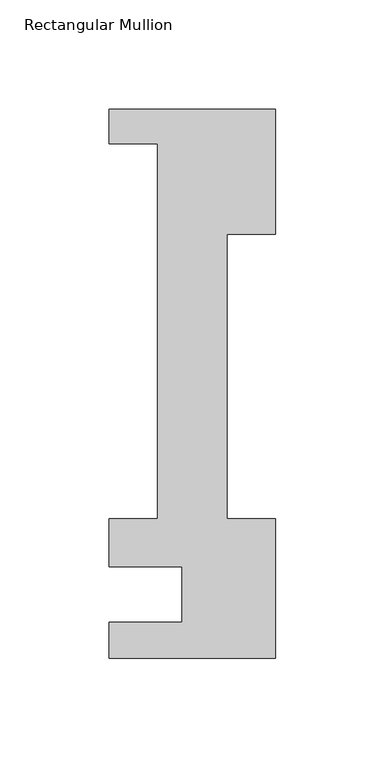
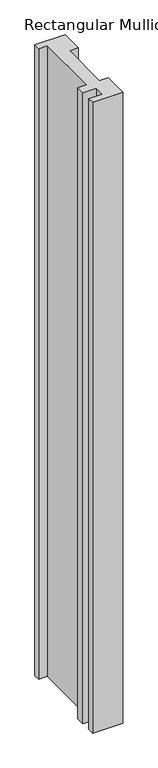
"""IFC4 building model written with IfcOpenShell, lengths in millimetres: member geometry, Rectangular Mullion."""

from ifc_helpers import new_model, si_unit, frame, origin, place, context, project, spatial, polyline, outline, extrude, source, transform, mapped, element, save


def rectangular_mullion_a9728fa6(model_context):
    return source(origin(), model_context, "Body", "SweptSolid", [
        extrude(outline(polyline([(0.0, 221.996), (0.0, 164.7946959), (-22.225, 164.7946959), (-22.225, 34.671), (0.0, 34.671), (0.0, -29.0542503), (-76.2, -29.0542503), (-76.2, -12.7), (-42.8625, -12.7), (-42.8625, 12.7), (-76.2, 12.7), (-76.2, 34.671), (-53.975, 34.671), (-53.975, 206.121), (-76.2, 206.121), (-76.2, 221.996), (0.0, 221.996)])), frame((0.0, 0.0, -1676.4), z_axis=(0.0, 0.0, 1.0), x_axis=(1.0, 0.0, 0.0)), (0.0, 0.0, 1.0), 1676.4),
    ])


if __name__ == "__main__":
    model = new_model("IFC4")
    model_context = context("Model", 3, world=origin())
    ifc_project = project(units=[si_unit("LENGTHUNIT", "METRE", prefix="MILLI")], contexts=[model_context])
    site = spatial("IfcSite", under=ifc_project)
    building = spatial("IfcBuilding", under=site)
    placement = place(None, origin())
    rectangular_mullion_shape = rectangular_mullion_a9728fa6(model_context)
    element("IfcMember", 1, ObjectType="Rectangular Mullion", at=placement, inside=building, context=model_context, shape_type="MappedRepresentation", body=[
        mapped(rectangular_mullion_shape, transform((0.0, 0.0, 0.0), x_axis=(1.0, 0.0, 0.0), y_axis=(0.0, 1.0, 0.0), z_axis=(0.0, 0.0, 1.0))),
    ])
    save(model, "model.ifc")
